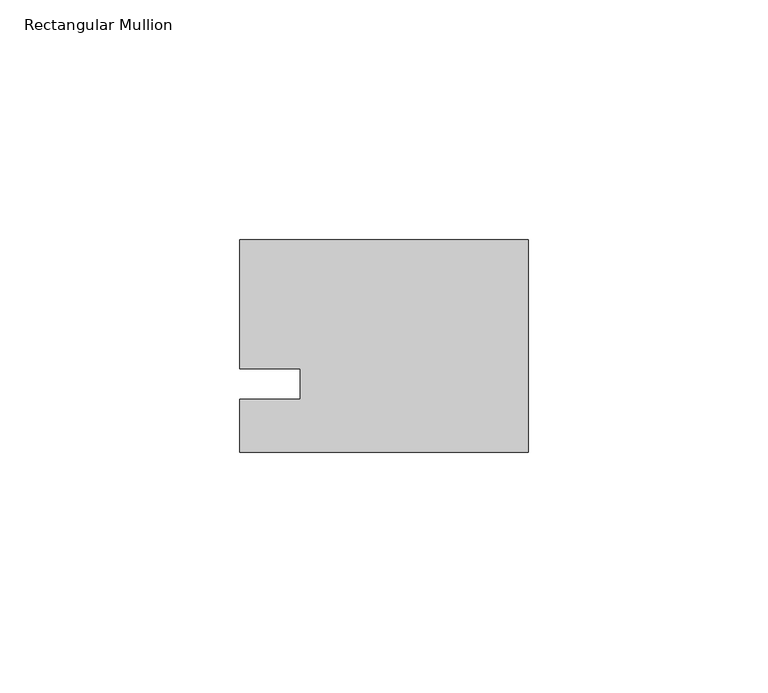
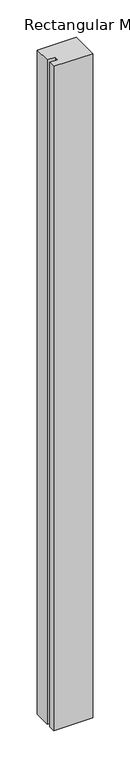
"""IFC4 building model written with IfcOpenShell, lengths in millimetres: member geometry, Rectangular Mullion."""

from ifc_helpers import new_model, si_unit, frame, origin, place, context, project, spatial, polyline, outline, extrude, source, transform, mapped, element, save


def rectangular_mullion_05db7cf6(model_context):
    return source(origin(), model_context, "Body", "SweptSolid", [
        extrude(outline(polyline([(-60.325, 30.1625), (0.0, 30.1625), (0.0, -14.2875), (-60.325, -14.2875), (-60.325, -3.175), (-47.625, -3.175), (-47.625, 3.175), (-60.325, 3.175), (-60.325, 30.1625)])), frame((0.0, 0.0, -1091.0405973), z_axis=(0.0, 0.0, 1.0), x_axis=(1.0, 0.0, 0.0)), (0.0, 0.0, 1.0), 1091.0405973),
    ])


if __name__ == "__main__":
    model = new_model("IFC4")
    model_context = context("Model", 3, world=origin())
    ifc_project = project(units=[si_unit("LENGTHUNIT", "METRE", prefix="MILLI")], contexts=[model_context])
    site = spatial("IfcSite", under=ifc_project)
    building = spatial("IfcBuilding", under=site)
    placement = place(None, origin())
    rectangular_mullion_shape = rectangular_mullion_05db7cf6(model_context)
    element("IfcMember", 1, ObjectType="Rectangular Mullion", at=placement, inside=building, context=model_context, shape_type="MappedRepresentation", body=[
        mapped(rectangular_mullion_shape, transform((0.0, 0.0, 0.0), x_axis=(1.0, 0.0, 0.0), y_axis=(0.0, 1.0, 0.0), z_axis=(0.0, 0.0, 1.0))),
    ])
    save(model, "model.ifc")
